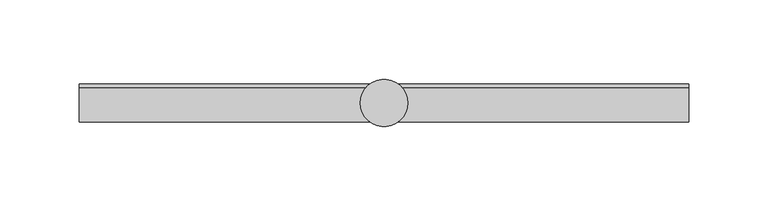
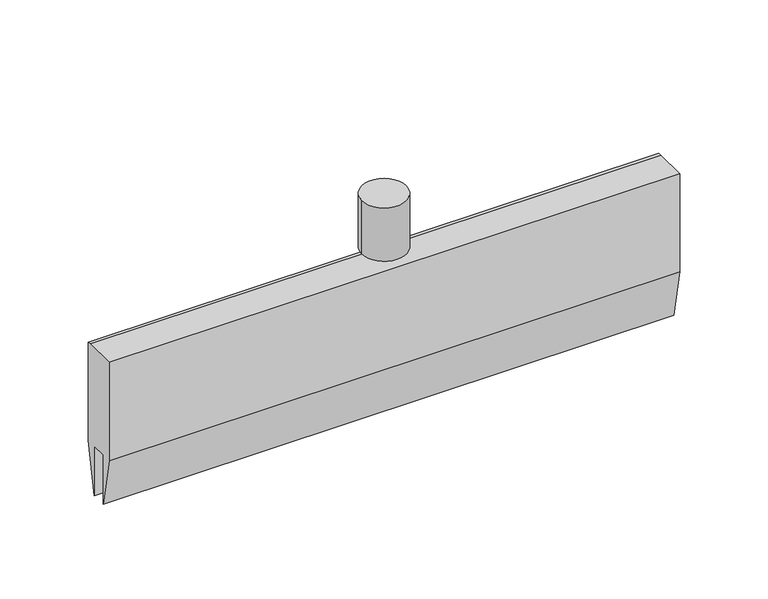
"""IFC4 building model written with IfcOpenShell, lengths in millimetres: proxy geometry."""

from ifc_helpers import new_model, si_unit, point, frame, origin, origin_2d, place, context, project, spatial, polyline, circle_curve, trimmed, segment, composite_curve, outline, extrude, source, transform, mapped, element, save


def specialty_equipment_29c68c5d(model_context):
    return source(origin(), model_context, "Body", "SweptSolid", [
        extrude(outline(polyline([(-12.0, 49.0), (9.692747, 49.0), (12.0, 49.0), (12.0, -21.0), (5.0, -56.0), (5.0, -21.0), (-5.0, -21.0), (-5.0, -56.0), (-12.0, -21.0), (-12.0, 49.0)])), frame((-191.8888889, 0.0, 0.0), z_axis=(1.0, 0.0, 0.0), x_axis=(0.0, 1.0, 0.0)), (0.0, 0.0, 1.0), 383.7777778),
        extrude(outline(composite_curve([segment(trimmed(circle_curve(origin_2d(), 15.0), [point((-15.0, 0.0))], [point((15.0, 0.0))], False, "CARTESIAN"), True, "CONTINUOUS"), segment(trimmed(circle_curve(origin_2d(), 15.0), [point((15.0, 0.0))], [point((-15.0, 0.0))], False, "CARTESIAN"), True, "CONTINUOUS")], self_intersect=False)), frame((0.0, 0.0, 57.0), z_axis=(0.0, 0.0, 1.0), x_axis=(1.0, 0.0, 0.0)), (0.0, 0.0, 1.0), 38.0),
    ])


if __name__ == "__main__":
    model = new_model("IFC4")
    model_context = context("Model", 3, world=origin())
    ifc_project = project(units=[si_unit("LENGTHUNIT", "METRE", prefix="MILLI")], contexts=[model_context])
    site = spatial("IfcSite", under=ifc_project)
    building = spatial("IfcBuilding", under=site)
    placement = place(None, origin())
    specialty_equipment_shape = specialty_equipment_29c68c5d(model_context)
    element("IfcBuildingElementProxy", 1, Name="Specialty Equipment", at=placement, inside=building, context=model_context, shape_type="MappedRepresentation", body=[
        mapped(specialty_equipment_shape, transform((0.0, 0.0, 0.0), x_axis=(1.0, 0.0, 0.0), y_axis=(0.0, 1.0, 0.0), z_axis=(0.0, 0.0, 1.0))),
    ])
    save(model, "model.ifc")
